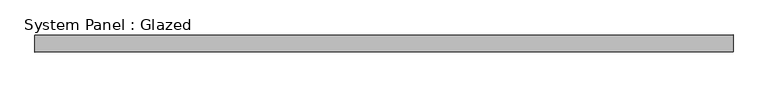
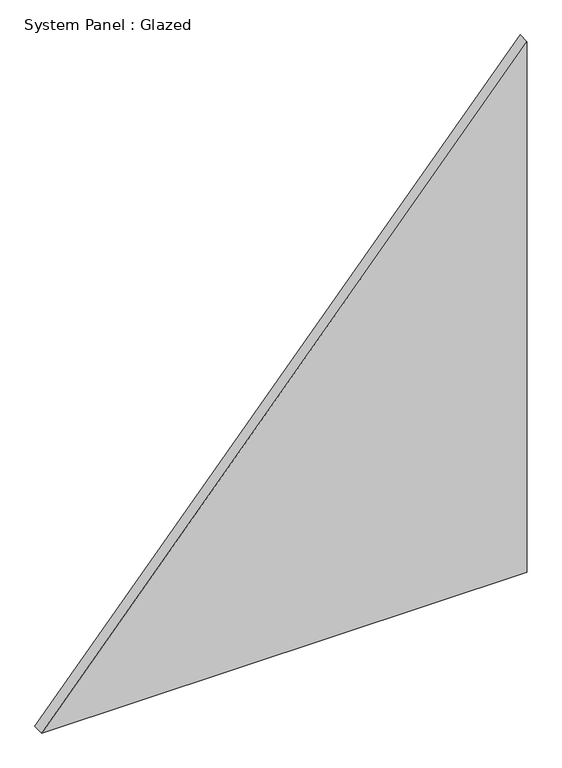
"""IFC4 building model written with IfcOpenShell, lengths in millimetres: plate geometry, System Panel : Glazed."""

import ifcopenshell
import ifcopenshell.guid

model = None  # the IFC model being written
_history = None  # IfcOwnerHistory: only IFC2X3 demands one
_inside = {}  # id of a spatial element -> (the spatial element, [elements in it])
_under = {}  # id of a project, library or spatial element -> (it, [spatial elements below it])
_declared = {}  # id of a project -> (the project, [libraries it declares])
_typed = {}  # id of a type object -> (the type object, [elements of that type])
_made_of = {}  # id of a material, layer set ... -> (it, [elements and type objects made of it])


def new_model(schema):
    """Start an empty IFC model of exactly this schema.

    Asked for "IFC4X3", IfcOpenShell would pick the latest addendum, in which some entities
    have other attributes; the version numbers below select the first issue.
    IFC2X3 requires an IfcOwnerHistory on every rooted entity: one is made here for all.
    """
    global model, _history
    if schema == "IFC4X3":
        model = ifcopenshell.file(schema_version=(4, 3, 0, 0))
    else:
        model = ifcopenshell.file(schema=schema)
    _inside.clear()
    _under.clear()
    _declared.clear()
    _typed.clear()
    _made_of.clear()
    _history = None
    if model.schema == "IFC2X3":
        org = make("IfcOrganization", Name="unknown")
        user = make(
            "IfcPersonAndOrganization",
            ThePerson=make("IfcPerson", FamilyName="unknown"),
            TheOrganization=org,
        )
        app = make(
            "IfcApplication",
            ApplicationDeveloper=org,
            Version="unknown",
            ApplicationFullName="unknown",
            ApplicationIdentifier="unknown",
        )
        _history = make(
            "IfcOwnerHistory",
            OwningUser=user,
            OwningApplication=app,
            ChangeAction="ADDED",
            CreationDate=0,
        )
    return model


def make(cls, **values):
    """One entity of the class cls with the attributes given. An attribute that is None is left unset."""
    return model.create_entity(
        cls, **{name: value for name, value in values.items() if value is not None}
    )


def rooted(cls, **values):
    """An entity with a GlobalId (a new one), such as an element, a storey or a relation."""
    return make(cls, GlobalId=ifcopenshell.guid.new(), OwnerHistory=_history, **values)


def si_unit(unit_type, name, prefix=None):
    """IfcSIUnit, for example si_unit("LENGTHUNIT", "METRE", prefix="MILLI")."""
    return make("IfcSIUnit", UnitType=unit_type, Prefix=prefix, Name=name)


def assignment(units):
    """IfcUnitAssignment: the units of a project."""
    return None if units is None else make("IfcUnitAssignment", Units=units)


def point(xyz):
    """IfcCartesianPoint."""
    return None if xyz is None else make("IfcCartesianPoint", Coordinates=xyz)


def direction(xyz):
    """IfcDirection."""
    return None if xyz is None else make("IfcDirection", DirectionRatios=xyz)


def frame(location, z_axis=None, x_axis=None):
    """IfcAxis2Placement3D, a coordinate frame: its origin and axes. An axis left out is left unset."""
    return make(
        "IfcAxis2Placement3D",
        Location=point(location),
        Axis=direction(z_axis),
        RefDirection=direction(x_axis),
    )


def origin():
    """The frame at (0, 0, 0) with its axes left unset."""
    return frame((0.0, 0.0, 0.0))


def place(relative_to, where):
    """IfcLocalPlacement: puts the frame where relative to a parent placement (None: the world)."""
    return make(
        "IfcLocalPlacement", PlacementRelTo=relative_to, RelativePlacement=where
    )


def context(
    kind, dimensions, precision=None, world=None, true_north=None, identifier=None
):
    """IfcGeometricRepresentationContext, for example the 3D "Model" context."""
    return make(
        "IfcGeometricRepresentationContext",
        ContextIdentifier=identifier,
        ContextType=kind,
        CoordinateSpaceDimension=dimensions,
        Precision=precision,
        WorldCoordinateSystem=world,
        TrueNorth=true_north,
    )


def project(units=None, contexts=None):
    """IfcProject with its units and contexts."""
    return rooted(
        "IfcProject",
        Name="project",
        RepresentationContexts=contexts,
        UnitsInContext=assignment(units),
    )


def spatial(cls, under=None, at=None, **own):
    """A site, building, storey or space (cls), placed at a placement, below another one or the project."""
    s = rooted(cls, ObjectPlacement=at, **own)
    if under is not None:
        _under.setdefault(under.id(), (under, []))[1].append(s)
    return s


def polyline(points):
    """IfcPolyline through the points."""
    return make("IfcPolyline", Points=[point(p) for p in points])


def outline(outer, holes=None, kind="AREA"):
    """IfcArbitraryClosedProfileDef: a profile drawn as a closed curve; with holes, ...WithVoids."""
    if holes is None:
        return make("IfcArbitraryClosedProfileDef", ProfileType=kind, OuterCurve=outer)
    return make(
        "IfcArbitraryProfileDefWithVoids",
        ProfileType=kind,
        OuterCurve=outer,
        InnerCurves=holes,
    )


def extrude(swept, where, along, depth):
    """IfcExtrudedAreaSolid: the profile swept, set in the frame where, extruded along a direction by depth."""
    return make(
        "IfcExtrudedAreaSolid",
        SweptArea=swept,
        Position=where,
        ExtrudedDirection=direction(along),
        Depth=depth,
    )


def shape(context_of_items, identifier, shape_type, items):
    """IfcShapeRepresentation: the items that make up one representation, for example the "Body"."""
    return make(
        "IfcShapeRepresentation",
        ContextOfItems=context_of_items,
        RepresentationIdentifier=identifier,
        RepresentationType=shape_type,
        Items=items,
    )


def source(mapping_origin, context_of_items, identifier, shape_type, items):
    """IfcRepresentationMap: a shape defined once, which mapped items show again and again."""
    return make(
        "IfcRepresentationMap",
        MappingOrigin=mapping_origin,
        MappedRepresentation=shape(context_of_items, identifier, shape_type, items),
    )


def transform(
    local_origin,
    x_axis=None,
    y_axis=None,
    z_axis=None,
    scale=None,
    scale2=None,
    scale3=None,
    uniform=True,
):
    """IfcCartesianTransformationOperator3D, or its non-uniform kind. x_axis, y_axis, z_axis: its Axis1, 2, 3."""
    if uniform:
        return make(
            "IfcCartesianTransformationOperator3D",
            Axis1=direction(x_axis),
            Axis2=direction(y_axis),
            LocalOrigin=point(local_origin),
            Scale=scale,
            Axis3=direction(z_axis),
        )
    return make(
        "IfcCartesianTransformationOperator3DnonUniform",
        Axis1=direction(x_axis),
        Axis2=direction(y_axis),
        LocalOrigin=point(local_origin),
        Scale=scale,
        Axis3=direction(z_axis),
        Scale2=scale2,
        Scale3=scale3,
    )


def mapped(mapping_source, mapping_target):
    """IfcMappedItem: shows the shape of a source again, moved by a transform."""
    return make(
        "IfcMappedItem", MappingSource=mapping_source, MappingTarget=mapping_target
    )


def made_of(thing, what):
    """Note that an element or type object is made of a material, layer set ...; save() writes the relation."""
    if what is not None:
        _made_of.setdefault(what.id(), (what, []))[1].append(thing)
    return thing


def element(
    cls,
    number,
    at=None,
    inside=None,
    cuts=None,
    type_object=None,
    material=None,
    context=None,
    identifier="Body",
    shape_type=None,
    held_by="IfcProductDefinitionShape",
    body=None,
    shapes=None,
    **own,
):
    """One element of the class cls, such as IfcWall. Its Tag is "e" and its number.

    at: its placement. inside: the storey or other place that contains it. cuts: it is an
    opening in that element (IfcRelVoidsElement). A single representation is given by context,
    identifier, shape_type and body (its items); several are given by shapes. held_by: the class
    of the entity that holds the representations. save() writes the other relations.
    """
    e = rooted(cls, Tag="e%d" % number, ObjectPlacement=at, **own)
    if body is not None:
        shapes = [shape(context, identifier, shape_type, body)]
    if shapes is not None:
        e.Representation = make(held_by, Representations=shapes)
    if inside is not None:
        _inside.setdefault(inside.id(), (inside, []))[1].append(e)
    if cuts is not None:
        rooted(
            "IfcRelVoidsElement", RelatingBuildingElement=cuts, RelatedOpeningElement=e
        )
    if type_object is not None:
        _typed.setdefault(type_object.id(), (type_object, []))[1].append(e)
    return made_of(e, material)


def aggregate(whole, parts):
    """IfcRelAggregates: a whole, such as a stair, and the parts it consists of."""
    return rooted("IfcRelAggregates", RelatingObject=whole, RelatedObjects=parts)


def save(model, path):
    """Write the relations noted so far, then the file.

    IfcRelAggregates (storeys below a building ...), IfcRelContainedInSpatialStructure (elements
    in a storey), IfcRelDefinesByType, IfcRelAssociatesMaterial and IfcRelDeclares: one each for
    every whole, place, type object, material and project.
    """
    for whole, parts in _under.values():
        aggregate(whole, parts)
    for where, things in _inside.values():
        rooted(
            "IfcRelContainedInSpatialStructure",
            RelatedElements=things,
            RelatingStructure=where,
        )
    for kind, things in _typed.values():
        rooted("IfcRelDefinesByType", RelatedObjects=things, RelatingType=kind)
    for what, things in _made_of.values():
        rooted("IfcRelAssociatesMaterial", RelatedObjects=things, RelatingMaterial=what)
    for by, libraries in _declared.values():
        rooted("IfcRelDeclares", RelatingContext=by, RelatedDefinitions=libraries)
    model.write(path)


def system_panel_glazed_0cba4a56(model_context):
    return source(origin(), model_context, "Body", "SweptSolid", [
        extrude(outline(polyline([(0.0, -514.3329684), (0.0, 514.3329684), (1187.801111, 514.3329684), (0.0, -514.3329684)])), frame((0.0, 24.5, 0.0), z_axis=(0.0, 1.0, 0.0), x_axis=(0.0, 0.0, 1.0)), (0.0, 0.0, 1.0), 25.0),
    ])


if __name__ == "__main__":
    model = new_model("IFC4")
    model_context = context("Model", 3, world=origin())
    ifc_project = project(units=[si_unit("LENGTHUNIT", "METRE", prefix="MILLI")], contexts=[model_context])
    site = spatial("IfcSite", under=ifc_project)
    building = spatial("IfcBuilding", under=site)
    placement = place(None, origin())
    system_panel_glazed_shape = system_panel_glazed_0cba4a56(model_context)
    element("IfcPlate", 1, ObjectType="System Panel : Glazed", at=placement, inside=building, context=model_context, shape_type="MappedRepresentation", body=[
        mapped(system_panel_glazed_shape, transform((0.0, 0.0, 0.0), x_axis=(1.0, 0.0, 0.0), y_axis=(0.0, 1.0, 0.0), z_axis=(0.0, 0.0, 1.0))),
    ])
    save(model, "model.ifc")
